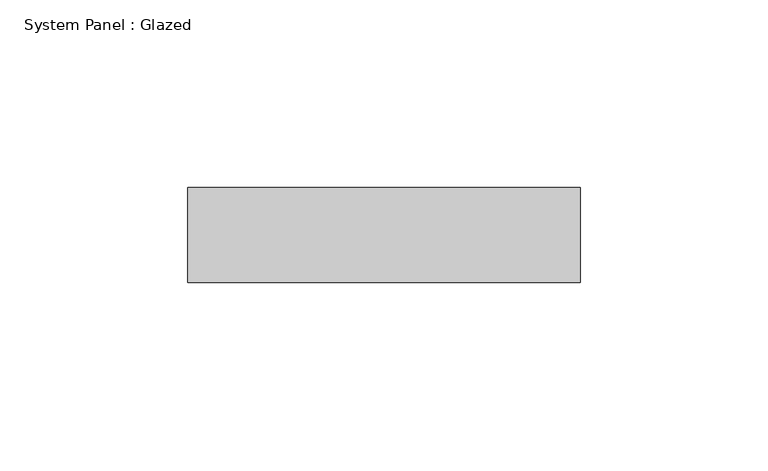
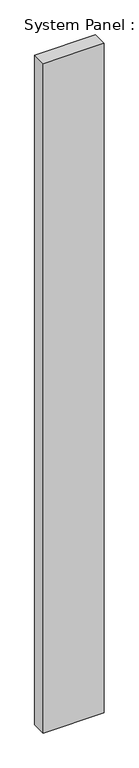
"""IFC4 building model written with IfcOpenShell, lengths in millimetres: plate geometry, System Panel : Glazed."""

from ifc_helpers import new_model, si_unit, origin, origin_with_axes, place, context, project, spatial, polyline, outline, extrude, source, transform, mapped, element, save


def system_panel_glazed_b8bf22fe(model_context):
    return source(origin(), model_context, "Body", "SweptSolid", [
        extrude(outline(polyline([(52.3875, 19.05), (-52.3875, 19.05), (-52.3875, 44.45), (52.3875, 44.45), (52.3875, 19.05)])), origin_with_axes(), (0.0, 0.0, 1.0), 1219.2),
    ])


if __name__ == "__main__":
    model = new_model("IFC4")
    model_context = context("Model", 3, world=origin())
    ifc_project = project(units=[si_unit("LENGTHUNIT", "METRE", prefix="MILLI")], contexts=[model_context])
    site = spatial("IfcSite", under=ifc_project)
    building = spatial("IfcBuilding", under=site)
    placement = place(None, origin())
    system_panel_glazed_shape = system_panel_glazed_b8bf22fe(model_context)
    element("IfcPlate", 1, ObjectType="System Panel : Glazed", at=placement, inside=building, context=model_context, shape_type="MappedRepresentation", body=[
        mapped(system_panel_glazed_shape, transform((0.0, 0.0, 0.0), x_axis=(1.0, 0.0, 0.0), y_axis=(0.0, 1.0, 0.0), z_axis=(0.0, 0.0, 1.0))),
    ])
    save(model, "model.ifc")
